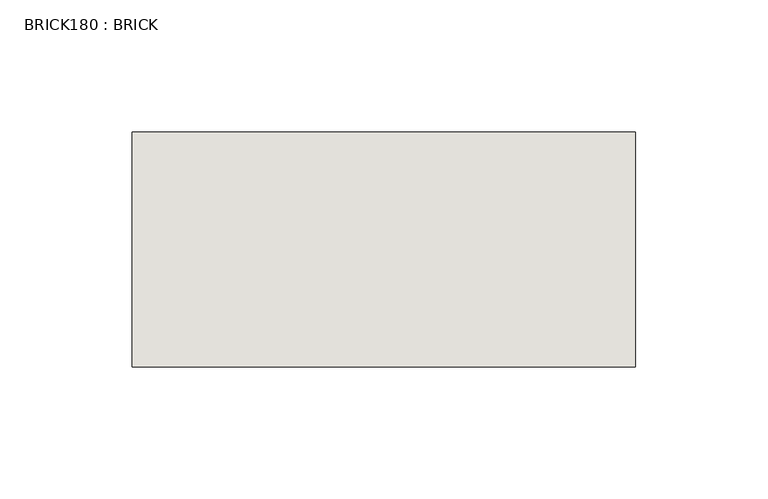
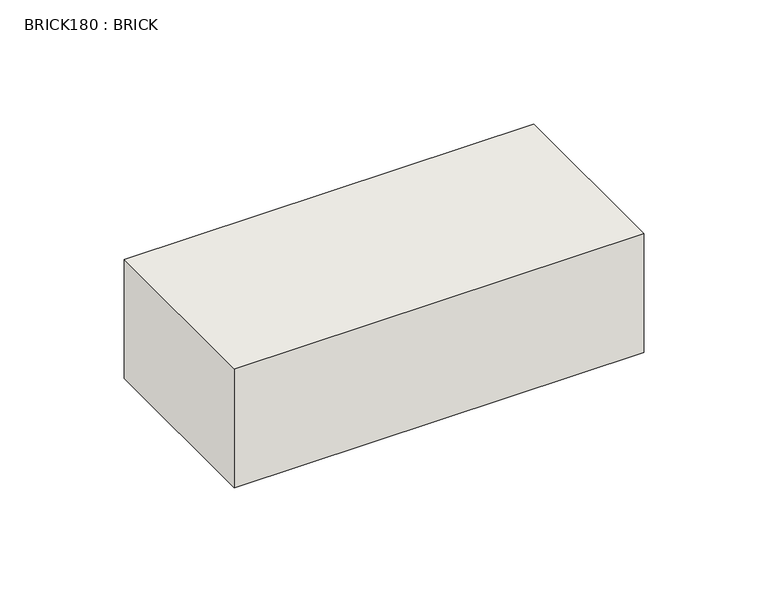
"""IFC4 building model written with IfcOpenShell, lengths in millimetres: wall geometry, BRICK180 : BRICK."""

from ifc_helpers import new_model, si_unit, frame, origin, place, context, project, spatial, polyline, outline, extrude, source, transform, mapped, element, save


def brick180_brick_cf053f75(model_context):
    return source(origin(), model_context, "Body", "SweptSolid", [
        extrude(outline(polyline([(-261.8574357, 3062.3923312), (-71.3574357, 3062.3923312), (-71.3574357, 2973.4923312), (-261.8574357, 2973.4923312), (-261.8574357, 3062.3923312)])), frame((0.0, 0.0, 4.1671875), z_axis=(0.0, 0.0, 1.0), x_axis=(1.0, 0.0, 0.0)), (0.0, 0.0, 1.0), 58.4398438),
    ])


if __name__ == "__main__":
    model = new_model("IFC4")
    model_context = context("Model", 3, world=origin())
    ifc_project = project(units=[si_unit("LENGTHUNIT", "METRE", prefix="MILLI")], contexts=[model_context])
    site = spatial("IfcSite", under=ifc_project)
    building = spatial("IfcBuilding", under=site)
    placement = place(None, origin())
    brick180_brick_shape = brick180_brick_cf053f75(model_context)
    element("IfcWall", 1, ObjectType="BRICK180 : BRICK", at=placement, inside=building, context=model_context, shape_type="MappedRepresentation", body=[
        mapped(brick180_brick_shape, transform((0.0, 0.0, 0.0), x_axis=(1.0, 0.0, 0.0), y_axis=(0.0, 1.0, 0.0), z_axis=(0.0, 0.0, 1.0))),
    ])
    save(model, "model.ifc")
